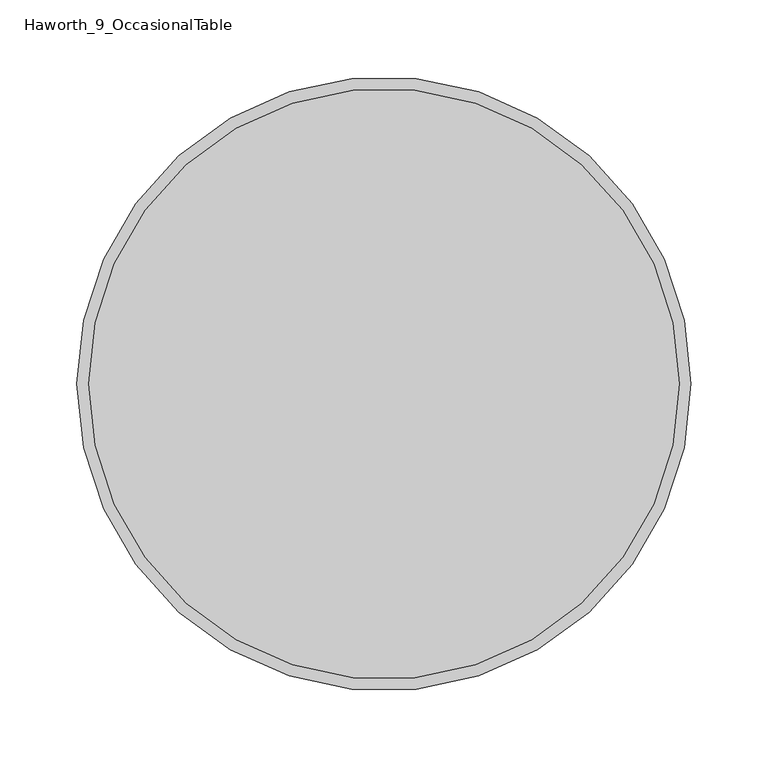
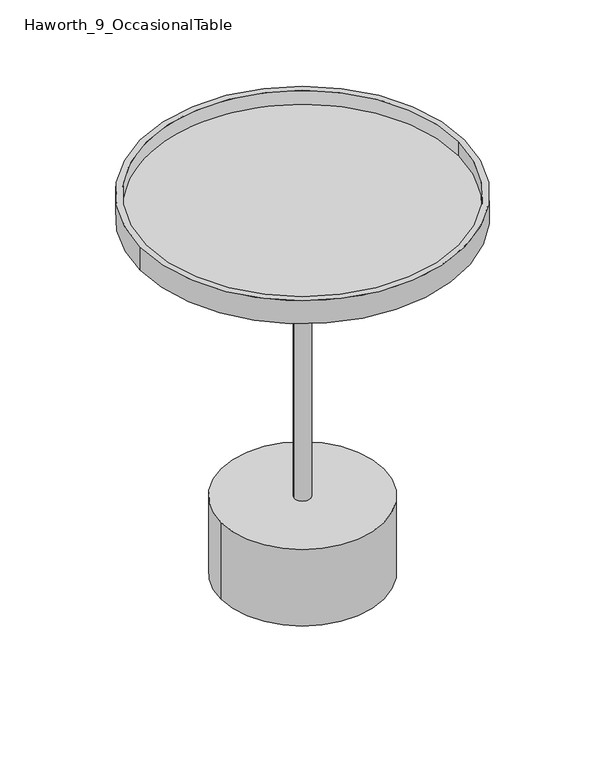
"""IFC4 building model written with IfcOpenShell, lengths in millimetres: furniture geometry, Haworth_9_OccasionalTable."""

import ifcopenshell
import ifcopenshell.guid

model = None  # the IFC model being written
_history = None  # IfcOwnerHistory: only IFC2X3 demands one
_inside = {}  # id of a spatial element -> (the spatial element, [elements in it])
_under = {}  # id of a project, library or spatial element -> (it, [spatial elements below it])
_declared = {}  # id of a project -> (the project, [libraries it declares])
_typed = {}  # id of a type object -> (the type object, [elements of that type])
_made_of = {}  # id of a material, layer set ... -> (it, [elements and type objects made of it])


def new_model(schema):
    """Start an empty IFC model of exactly this schema.

    Asked for "IFC4X3", IfcOpenShell would pick the latest addendum, in which some entities
    have other attributes; the version numbers below select the first issue.
    IFC2X3 requires an IfcOwnerHistory on every rooted entity: one is made here for all.
    """
    global model, _history
    if schema == "IFC4X3":
        model = ifcopenshell.file(schema_version=(4, 3, 0, 0))
    else:
        model = ifcopenshell.file(schema=schema)
    _inside.clear()
    _under.clear()
    _declared.clear()
    _typed.clear()
    _made_of.clear()
    _history = None
    if model.schema == "IFC2X3":
        org = make("IfcOrganization", Name="unknown")
        user = make(
            "IfcPersonAndOrganization",
            ThePerson=make("IfcPerson", FamilyName="unknown"),
            TheOrganization=org,
        )
        app = make(
            "IfcApplication",
            ApplicationDeveloper=org,
            Version="unknown",
            ApplicationFullName="unknown",
            ApplicationIdentifier="unknown",
        )
        _history = make(
            "IfcOwnerHistory",
            OwningUser=user,
            OwningApplication=app,
            ChangeAction="ADDED",
            CreationDate=0,
        )
    return model


def make(cls, **values):
    """One entity of the class cls with the attributes given. An attribute that is None is left unset."""
    return model.create_entity(
        cls, **{name: value for name, value in values.items() if value is not None}
    )


def rooted(cls, **values):
    """An entity with a GlobalId (a new one), such as an element, a storey or a relation."""
    return make(cls, GlobalId=ifcopenshell.guid.new(), OwnerHistory=_history, **values)


def si_unit(unit_type, name, prefix=None):
    """IfcSIUnit, for example si_unit("LENGTHUNIT", "METRE", prefix="MILLI")."""
    return make("IfcSIUnit", UnitType=unit_type, Prefix=prefix, Name=name)


def assignment(units):
    """IfcUnitAssignment: the units of a project."""
    return None if units is None else make("IfcUnitAssignment", Units=units)


def point(xyz):
    """IfcCartesianPoint."""
    return None if xyz is None else make("IfcCartesianPoint", Coordinates=xyz)


def direction(xyz):
    """IfcDirection."""
    return None if xyz is None else make("IfcDirection", DirectionRatios=xyz)


def frame(location, z_axis=None, x_axis=None):
    """IfcAxis2Placement3D, a coordinate frame: its origin and axes. An axis left out is left unset."""
    return make(
        "IfcAxis2Placement3D",
        Location=point(location),
        Axis=direction(z_axis),
        RefDirection=direction(x_axis),
    )


def frame_2d(location, x_axis=None):
    """IfcAxis2Placement2D, a coordinate frame in the plane: its origin and x axis."""
    return make(
        "IfcAxis2Placement2D", Location=point(location), RefDirection=direction(x_axis)
    )


def origin():
    """The frame at (0, 0, 0) with its axes left unset."""
    return frame((0.0, 0.0, 0.0))


def origin_with_axes():
    """The frame at (0, 0, 0) with the z axis (0, 0, 1) and the x axis (1, 0, 0) written out."""
    return frame((0.0, 0.0, 0.0), z_axis=(0.0, 0.0, 1.0), x_axis=(1.0, 0.0, 0.0))


def place(relative_to, where):
    """IfcLocalPlacement: puts the frame where relative to a parent placement (None: the world)."""
    return make(
        "IfcLocalPlacement", PlacementRelTo=relative_to, RelativePlacement=where
    )


def context(
    kind, dimensions, precision=None, world=None, true_north=None, identifier=None
):
    """IfcGeometricRepresentationContext, for example the 3D "Model" context."""
    return make(
        "IfcGeometricRepresentationContext",
        ContextIdentifier=identifier,
        ContextType=kind,
        CoordinateSpaceDimension=dimensions,
        Precision=precision,
        WorldCoordinateSystem=world,
        TrueNorth=true_north,
    )


def project(units=None, contexts=None):
    """IfcProject with its units and contexts."""
    return rooted(
        "IfcProject",
        Name="project",
        RepresentationContexts=contexts,
        UnitsInContext=assignment(units),
    )


def spatial(cls, under=None, at=None, **own):
    """A site, building, storey or space (cls), placed at a placement, below another one or the project."""
    s = rooted(cls, ObjectPlacement=at, **own)
    if under is not None:
        _under.setdefault(under.id(), (under, []))[1].append(s)
    return s


def polyline(points):
    """IfcPolyline through the points."""
    return make("IfcPolyline", Points=[point(p) for p in points])


def circle_curve(where, radius):
    """IfcCircle in the frame where."""
    return make("IfcCircle", Position=where, Radius=radius)


def ellipse_curve(where, semi_axis1, semi_axis2):
    """IfcEllipse in the frame where."""
    return make(
        "IfcEllipse", Position=where, SemiAxis1=semi_axis1, SemiAxis2=semi_axis2
    )


def trimmed(basis, trim1, trim2, sense, master):
    """IfcTrimmedCurve: the piece of a basis curve between two trims."""
    return make(
        "IfcTrimmedCurve",
        BasisCurve=basis,
        Trim1=trim1,
        Trim2=trim2,
        SenseAgreement=sense,
        MasterRepresentation=master,
    )


def segment(curve, same_sense, transition):
    """IfcCompositeCurveSegment."""
    return make(
        "IfcCompositeCurveSegment",
        Transition=transition,
        SameSense=same_sense,
        ParentCurve=curve,
    )


def composite_curve(segments, self_intersect=None):
    """IfcCompositeCurve: segments joined end to end."""
    return make("IfcCompositeCurve", Segments=segments, SelfIntersect=self_intersect)


def outline(outer, holes=None, kind="AREA"):
    """IfcArbitraryClosedProfileDef: a profile drawn as a closed curve; with holes, ...WithVoids."""
    if holes is None:
        return make("IfcArbitraryClosedProfileDef", ProfileType=kind, OuterCurve=outer)
    return make(
        "IfcArbitraryProfileDefWithVoids",
        ProfileType=kind,
        OuterCurve=outer,
        InnerCurves=holes,
    )


def extrude(swept, where, along, depth):
    """IfcExtrudedAreaSolid: the profile swept, set in the frame where, extruded along a direction by depth."""
    return make(
        "IfcExtrudedAreaSolid",
        SweptArea=swept,
        Position=where,
        ExtrudedDirection=direction(along),
        Depth=depth,
    )


def shape(context_of_items, identifier, shape_type, items):
    """IfcShapeRepresentation: the items that make up one representation, for example the "Body"."""
    return make(
        "IfcShapeRepresentation",
        ContextOfItems=context_of_items,
        RepresentationIdentifier=identifier,
        RepresentationType=shape_type,
        Items=items,
    )


def source(mapping_origin, context_of_items, identifier, shape_type, items):
    """IfcRepresentationMap: a shape defined once, which mapped items show again and again."""
    return make(
        "IfcRepresentationMap",
        MappingOrigin=mapping_origin,
        MappedRepresentation=shape(context_of_items, identifier, shape_type, items),
    )


def transform(
    local_origin,
    x_axis=None,
    y_axis=None,
    z_axis=None,
    scale=None,
    scale2=None,
    scale3=None,
    uniform=True,
):
    """IfcCartesianTransformationOperator3D, or its non-uniform kind. x_axis, y_axis, z_axis: its Axis1, 2, 3."""
    if uniform:
        return make(
            "IfcCartesianTransformationOperator3D",
            Axis1=direction(x_axis),
            Axis2=direction(y_axis),
            LocalOrigin=point(local_origin),
            Scale=scale,
            Axis3=direction(z_axis),
        )
    return make(
        "IfcCartesianTransformationOperator3DnonUniform",
        Axis1=direction(x_axis),
        Axis2=direction(y_axis),
        LocalOrigin=point(local_origin),
        Scale=scale,
        Axis3=direction(z_axis),
        Scale2=scale2,
        Scale3=scale3,
    )


def mapped(mapping_source, mapping_target):
    """IfcMappedItem: shows the shape of a source again, moved by a transform."""
    return make(
        "IfcMappedItem", MappingSource=mapping_source, MappingTarget=mapping_target
    )


def made_of(thing, what):
    """Note that an element or type object is made of a material, layer set ...; save() writes the relation."""
    if what is not None:
        _made_of.setdefault(what.id(), (what, []))[1].append(thing)
    return thing


def element(
    cls,
    number,
    at=None,
    inside=None,
    cuts=None,
    type_object=None,
    material=None,
    context=None,
    identifier="Body",
    shape_type=None,
    held_by="IfcProductDefinitionShape",
    body=None,
    shapes=None,
    **own,
):
    """One element of the class cls, such as IfcWall. Its Tag is "e" and its number.

    at: its placement. inside: the storey or other place that contains it. cuts: it is an
    opening in that element (IfcRelVoidsElement). A single representation is given by context,
    identifier, shape_type and body (its items); several are given by shapes. held_by: the class
    of the entity that holds the representations. save() writes the other relations.
    """
    e = rooted(cls, Tag="e%d" % number, ObjectPlacement=at, **own)
    if body is not None:
        shapes = [shape(context, identifier, shape_type, body)]
    if shapes is not None:
        e.Representation = make(held_by, Representations=shapes)
    if inside is not None:
        _inside.setdefault(inside.id(), (inside, []))[1].append(e)
    if cuts is not None:
        rooted(
            "IfcRelVoidsElement", RelatingBuildingElement=cuts, RelatedOpeningElement=e
        )
    if type_object is not None:
        _typed.setdefault(type_object.id(), (type_object, []))[1].append(e)
    return made_of(e, material)


def aggregate(whole, parts):
    """IfcRelAggregates: a whole, such as a stair, and the parts it consists of."""
    return rooted("IfcRelAggregates", RelatingObject=whole, RelatedObjects=parts)


def save(model, path):
    """Write the relations noted so far, then the file.

    IfcRelAggregates (storeys below a building ...), IfcRelContainedInSpatialStructure (elements
    in a storey), IfcRelDefinesByType, IfcRelAssociatesMaterial and IfcRelDeclares: one each for
    every whole, place, type object, material and project.
    """
    for whole, parts in _under.values():
        aggregate(whole, parts)
    for where, things in _inside.values():
        rooted(
            "IfcRelContainedInSpatialStructure",
            RelatedElements=things,
            RelatingStructure=where,
        )
    for kind, things in _typed.values():
        rooted("IfcRelDefinesByType", RelatedObjects=things, RelatingType=kind)
    for what, things in _made_of.values():
        rooted("IfcRelAssociatesMaterial", RelatedObjects=things, RelatingMaterial=what)
    for by, libraries in _declared.values():
        rooted("IfcRelDeclares", RelatingContext=by, RelatedDefinitions=libraries)
    model.write(path)


def plane_surface(at):
    """IfcPlane: the flat surface through the origin of the frame at, square to its z axis."""
    return make("IfcPlane", Position=at)


def revolved_surface(curve, axis_point, axis_direction):
    """IfcSurfaceOfRevolution: the curve turned about the line through axis_point along axis_direction."""
    return make(
        "IfcSurfaceOfRevolution",
        SweptCurve=make("IfcArbitraryOpenProfileDef", ProfileType="CURVE", Curve=curve),
        AxisPosition=make("IfcAxis1Placement", Location=point(axis_point), Axis=direction(axis_direction)),
    )


def advanced_brep(points, edges, surfaces, faces):
    """IfcAdvancedBrep: a solid bounded by faces that lie on surfaces and meet in shared edges.

    An edge is (start, end): straight between two places in points (the first is 0);
    or (start, end, curve); or (start, end, curve, False) where it runs against its curve.
    A face is (place in surfaces, loops), or (place, loops, False) where it looks against
    its surface's normal. A loop lists edges by number (the first is 1), with a minus sign
    where the edge is run from its end to its start. The first loop is the outer one.
    """
    corners = [point(p) for p in points]
    vertices = [make("IfcVertexPoint", VertexGeometry=c) for c in corners]
    made = []
    for start, end, *more in edges:
        made.append(
            make(
                "IfcEdgeCurve",
                EdgeStart=vertices[start],
                EdgeEnd=vertices[end],
                EdgeGeometry=more[0] if more else make("IfcPolyline", Points=[corners[start], corners[end]]),
                SameSense=more[1] if len(more) > 1 else True,
            )
        )
    hull = []
    for where, loops, *sense in faces:
        bounds = []
        for j, loop in enumerate(loops):
            ring = [make("IfcOrientedEdge", EdgeElement=made[abs(k) - 1], Orientation=k > 0) for k in loop]
            bounds.append(
                make(
                    "IfcFaceOuterBound" if j == 0 else "IfcFaceBound",
                    Bound=make("IfcEdgeLoop", EdgeList=ring),
                    Orientation=True,
                )
            )
        hull.append(make("IfcAdvancedFace", Bounds=bounds, FaceSurface=surfaces[where], SameSense=sense[0] if sense else True))
    return make("IfcAdvancedBrep", Outer=make("IfcClosedShell", CfsFaces=hull))


def haworth_9_occasionaltable_9c2fd133(model_context):
    return source(origin(), model_context, "Body", "SolidModel", [
        extrude(outline(composite_curve([segment(trimmed(circle_curve(frame_2d((-155.4452882, -292.1)), 191.77), [point((-347.2152882, -292.1))], [point((36.3247118, -292.1))], False, "CARTESIAN"), True, "CONTINUOUS"), segment(trimmed(circle_curve(frame_2d((-155.4452882, -292.1)), 191.77), [point((36.3247118, -292.1))], [point((-347.2152882, -292.1))], False, "CARTESIAN"), True, "CONTINUOUS")], self_intersect=False), holes=[composite_curve([segment(trimmed(circle_curve(frame_2d((-232.9383677, -426.8865382)), 12.7), [point((-245.6383677, -426.8865382))], [point((-220.2383677, -426.8865382))], True, "CARTESIAN"), True, "CONTINUOUS"), segment(trimmed(circle_curve(frame_2d((-232.9383677, -426.8865382)), 12.7), [point((-220.2383677, -426.8865382))], [point((-245.6383677, -426.8865382))], True, "CARTESIAN"), True, "CONTINUOUS")], self_intersect=False)]), frame((0.0, 0.0, 465.7139949), z_axis=(0.0, 0.0, 1.0), x_axis=(1.0, 0.0, 0.0)), (0.0, 0.0, 1.0), 4.9942446),
        extrude(outline(composite_curve([segment(trimmed(circle_curve(frame_2d((-155.4452882, -292.1)), 191.77), [point((-347.2152882, -292.1))], [point((36.3247118, -292.1))], False, "CARTESIAN"), True, "CONTINUOUS"), segment(trimmed(circle_curve(frame_2d((-155.4452882, -292.1)), 191.77), [point((36.3247118, -292.1))], [point((-347.2152882, -292.1))], False, "CARTESIAN"), True, "CONTINUOUS")], self_intersect=False)), frame((0.0, 0.0, 470.7082394), z_axis=(0.0, 0.0, 1.0), x_axis=(1.0, 0.0, 0.0)), (0.0, 0.0, 1.0), 6.9967023),
        extrude(outline(composite_curve([segment(trimmed(circle_curve(frame_2d((-155.4452882, -292.1)), 199.39), [point((-354.8352882, -292.1))], [point((43.9447118, -292.1))], False, "CARTESIAN"), True, "CONTINUOUS"), segment(trimmed(circle_curve(frame_2d((-155.4452882, -292.1)), 199.39), [point((43.9447118, -292.1))], [point((-354.8352882, -292.1))], False, "CARTESIAN"), True, "CONTINUOUS")], self_intersect=False), holes=[composite_curve([segment(trimmed(circle_curve(frame_2d((-155.4452882, -292.1)), 191.77), [point((-347.2152882, -292.1))], [point((36.3247118, -292.1))], True, "CARTESIAN"), True, "CONTINUOUS"), segment(trimmed(circle_curve(frame_2d((-155.4452882, -292.1)), 191.77), [point((36.3247118, -292.1))], [point((-347.2152882, -292.1))], True, "CARTESIAN"), True, "CONTINUOUS")], self_intersect=False)]), frame((0.0, 0.0, 465.7139949), z_axis=(0.0, 0.0, 1.0), x_axis=(1.0, 0.0, 0.0)), (0.0, 0.0, 1.0), 30.000022),
        advanced_brep(
        [(-284.8188626, -292.1027186, 468.3852728), (-26.0717137, -292.1027186, 468.3852728), (-155.4452882, -292.1027186, 468.3852728), (-284.5696781, -292.1027186, 463.6691674), (-26.3208982, -292.1027186, 463.6691674), (-281.0894483, -292.1027186, 460.1665109), (-29.801128, -292.1027186, 460.1665109), (-165.4613858, -292.1027186, 453.3120286), (-145.4291905, -292.1027186, 453.3120286), (-155.4452882, -292.1027186, 453.3120286)],
        [
            (0, 1, circle_curve(frame((-155.4452882, -292.1027186, 468.3852728), z_axis=(0.0, 0.0, 1.0), x_axis=(1.0, 0.0, 0.0)), 129.3735745)),
            (1, 2),
            (2, 0),
            (1, 0, circle_curve(frame((-155.4452882, -292.1027186, 468.3852728), z_axis=(0.0, 0.0, 1.0), x_axis=(1.0, 0.0, 0.0)), 129.3735745)),
            (3, 4, circle_curve(frame((-155.4452882, -292.1027186, 463.6691674), z_axis=(0.0, 0.0, 1.0), x_axis=(1.0, 0.0, 0.0)), 129.12439)),
            (4, 1),
            (0, 3),
            (4, 3, circle_curve(frame((-155.4452882, -292.1027186, 463.6691674), z_axis=(0.0, 0.0, 1.0), x_axis=(1.0, 0.0, 0.0)), 129.12439)),
            (5, 6, circle_curve(frame((-155.4452882, -292.1027186, 460.1665109), z_axis=(0.0, 0.0, 1.0), x_axis=(1.0, 0.0, 0.0)), 125.6441602)),
            (6, 4, circle_curve(frame((-30.0203544, -292.1027186, 463.8646353), z_axis=(0.0, -1.0, 0.0), x_axis=(-1.0, 0.0, 0.0)), 3.7046166)),
            (3, 5, circle_curve(frame((-280.8702219, -292.1027186, 463.8646353), z_axis=(0.0, -1.0, 0.0), x_axis=(1.0, 0.0, 0.0)), 3.7046166)),
            (6, 5, circle_curve(frame((-155.4452882, -292.1027186, 460.1665109), z_axis=(0.0, 0.0, 1.0), x_axis=(1.0, 0.0, 0.0)), 125.6441602)),
            (7, 8, circle_curve(frame((-155.4452882, -292.1027186, 453.3120286), z_axis=(0.0, 0.0, 1.0), x_axis=(1.0, 0.0, 0.0)), 10.0160977)),
            (8, 6),
            (5, 7),
            (8, 7, circle_curve(frame((-155.4452882, -292.1027186, 453.3120286), z_axis=(0.0, 0.0, 1.0), x_axis=(1.0, 0.0, 0.0)), 10.0160977)),
            (9, 8),
            (7, 9),
        ],
        [
            plane_surface(frame((-155.4452882, -292.1027186, 468.3852728), z_axis=(0.0, 0.0, 1.0), x_axis=(1.0, 0.0, 0.0))),
            revolved_surface(polyline([(-26.0717137, -292.1027186, 468.3852728), (-26.3208982, -292.1027186, 463.6691674)]), (-155.4452882, -292.1027186, 468.3852728), (0.0, 0.0, -1.0)),
            revolved_surface(trimmed(ellipse_curve(frame((-30.0203544, -292.1027186, 463.8646353), z_axis=(0.0, 1.0, 0.0), x_axis=(-1.0, 0.0, 0.0)), 3.7046166, 3.7046166), [point((-26.3208982, -292.1027186, 463.6691674))], [point((-29.801128, -292.1027186, 460.1665109))], True, "CARTESIAN"), (-155.4452882, -292.1027186, 468.3852728), (0.0, 0.0, -1.0)),
            revolved_surface(polyline([(-29.801128, -292.1027186, 460.1665109), (-145.4291905, -292.1027186, 453.3120286)]), (-155.4452882, -292.1027186, 468.3852728), (0.0, 0.0, -1.0)),
            plane_surface(frame((-155.4452882, -292.1027186, 453.3120286), z_axis=(0.0, 0.0, -1.0), x_axis=(1.0, 0.0, 0.0))),
        ],
        [
            (0, [[1, 2, 3]]),
            (0, [[4, -3, -2]]),
            (1, [[5, 6, -1, 7]]),
            (1, [[8, -7, -4, -6]]),
            (2, [[9, 10, -5, 11]]),
            (2, [[12, -11, -8, -10]]),
            (3, [[13, 14, -9, 15]]),
            (3, [[16, -15, -12, -14]]),
            (4, [[17, -13, 18]]),
            (4, [[-18, -16, -17]]),
        ],
    ),
        extrude(outline(composite_curve([segment(trimmed(circle_curve(frame_2d((-155.4452882, -292.1)), 10.0160977), [point((-165.4613858, -292.1))], [point((-145.4291905, -292.1))], False, "CARTESIAN"), True, "CONTINUOUS"), segment(trimmed(circle_curve(frame_2d((-155.4452882, -292.1)), 10.0160977), [point((-145.4291905, -292.1))], [point((-165.4613858, -292.1))], False, "CARTESIAN"), True, "CONTINUOUS")], self_intersect=False)), frame((0.0, 0.0, 102.5745621), z_axis=(0.0, 0.0, 1.0), x_axis=(1.0, 0.0, 0.0)), (0.0, 0.0, 1.0), 350.7374665),
        extrude(outline(composite_curve([segment(trimmed(circle_curve(frame_2d((-155.4452882, -292.1)), 95.0996992), [point((-250.5449874, -292.1))], [point((-60.3455889, -292.1))], False, "CARTESIAN"), True, "CONTINUOUS"), segment(trimmed(circle_curve(frame_2d((-155.4452882, -292.1)), 95.0996992), [point((-60.3455889, -292.1))], [point((-250.5449874, -292.1))], False, "CARTESIAN"), True, "CONTINUOUS")], self_intersect=False)), origin_with_axes(), (0.0, 0.0, 1.0), 3.0065621),
        extrude(outline(composite_curve([segment(trimmed(circle_curve(frame_2d((-155.4452882, -292.1)), 100.2289836), [point((-255.6742718, -292.1))], [point((-55.2163045, -292.1))], False, "CARTESIAN"), True, "CONTINUOUS"), segment(trimmed(circle_curve(frame_2d((-155.4452882, -292.1)), 100.2289836), [point((-55.2163045, -292.1))], [point((-255.6742718, -292.1))], False, "CARTESIAN"), True, "CONTINUOUS")], self_intersect=False)), frame((0.0, 0.0, 3.0065621), z_axis=(0.0, 0.0, 1.0), x_axis=(1.0, 0.0, 0.0)), (0.0, 0.0, 1.0), 99.568),
    ])


if __name__ == "__main__":
    model = new_model("IFC4")
    model_context = context("Model", 3, world=origin())
    ifc_project = project(units=[si_unit("LENGTHUNIT", "METRE", prefix="MILLI")], contexts=[model_context])
    site = spatial("IfcSite", under=ifc_project)
    building = spatial("IfcBuilding", under=site)
    placement = place(None, origin())
    haworth_9_occasionaltable_shape = haworth_9_occasionaltable_9c2fd133(model_context)
    element("IfcFurniture", 1, ObjectType="Haworth_9_OccasionalTable", at=placement, inside=building, context=model_context, shape_type="MappedRepresentation", body=[
        mapped(haworth_9_occasionaltable_shape, transform((0.0, 0.0, 0.0), x_axis=(1.0, 0.0, 0.0), y_axis=(0.0, 1.0, 0.0), z_axis=(0.0, 0.0, 1.0))),
    ])
    save(model, "model.ifc")
